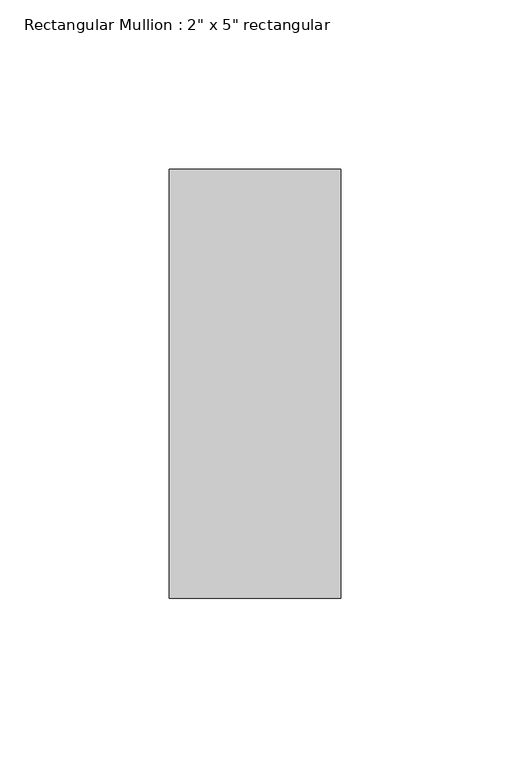
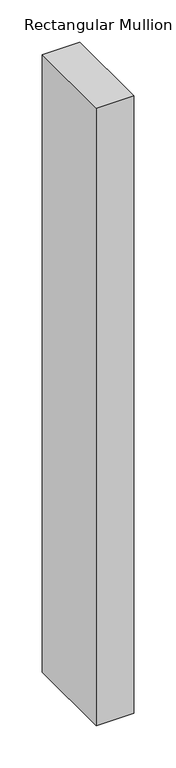
"""IFC4 building model written with IfcOpenShell, lengths in millimetres: member geometry."""

from ifc_helpers import new_model, si_unit, frame, origin, place, context, project, spatial, polyline, outline, extrude, source, transform, mapped, element, save


def member_39dbc7df(model_context):
    return source(origin(), model_context, "Body", "SweptSolid", [
        extrude(outline(polyline([(0.0, 63.5), (0.0, -63.5), (-50.8, -63.5), (-50.8, 63.5), (0.0, 63.5)])), frame((0.0, 0.0, -889.0), z_axis=(0.0, 0.0, 1.0), x_axis=(1.0, 0.0, 0.0)), (0.0, 0.0, 1.0), 889.0),
    ])


if __name__ == "__main__":
    model = new_model("IFC4")
    model_context = context("Model", 3, world=origin())
    ifc_project = project(units=[si_unit("LENGTHUNIT", "METRE", prefix="MILLI")], contexts=[model_context])
    site = spatial("IfcSite", under=ifc_project)
    building = spatial("IfcBuilding", under=site)
    placement = place(None, origin())
    member_shape = member_39dbc7df(model_context)
    element("IfcMember", 1, ObjectType="Rectangular Mullion : 2\" x 5\" rectangular", at=placement, inside=building, context=model_context, shape_type="MappedRepresentation", body=[
        mapped(member_shape, transform((0.0, 0.0, 0.0), x_axis=(1.0, 0.0, 0.0), y_axis=(0.0, 1.0, 0.0), z_axis=(0.0, 0.0, 1.0))),
    ])
    save(model, "model.ifc")
